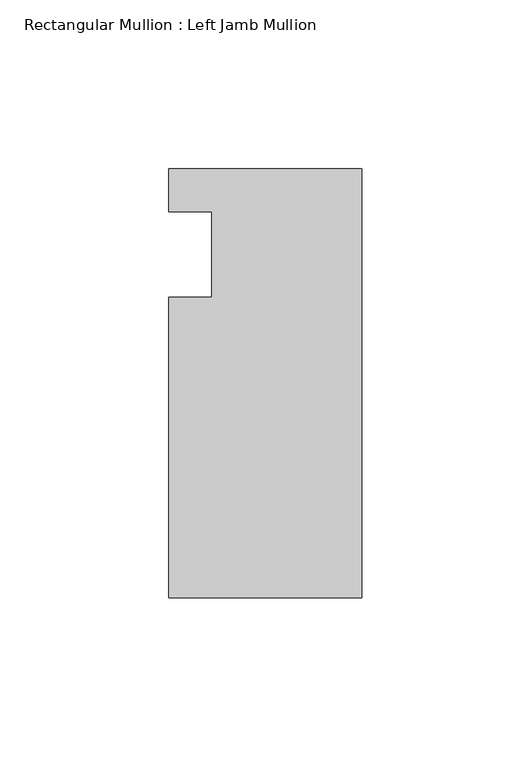
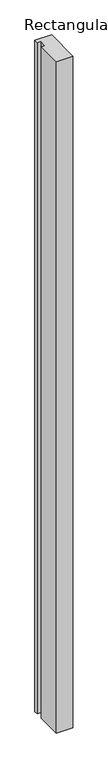
"""IFC4 building model written with IfcOpenShell, lengths in millimetres: member geometry, Rectangular Mullion : Left Jamb Mullion."""

from ifc_helpers import new_model, si_unit, frame, origin, place, context, project, spatial, polyline, outline, extrude, source, transform, mapped, element, save


def rectangular_mullion_left_jamb_mullion_35903ec2(model_context):
    return source(origin(), model_context, "Body", "SweptSolid", [
        extrude(outline(polyline([(-57.15, -101.6), (-57.15, -12.6374164), (-44.449993, -12.6374164), (-44.449993, 12.7625836), (-57.15, 12.7625836), (-57.15, 25.4), (0.0, 25.4), (0.0, -101.6), (-57.15, -101.6)])), frame((0.0, 0.0, -2438.4), z_axis=(0.0, 0.0, 1.0), x_axis=(1.0, 0.0, 0.0)), (0.0, 0.0, 1.0), 2438.4),
    ])


if __name__ == "__main__":
    model = new_model("IFC4")
    model_context = context("Model", 3, world=origin())
    ifc_project = project(units=[si_unit("LENGTHUNIT", "METRE", prefix="MILLI")], contexts=[model_context])
    site = spatial("IfcSite", under=ifc_project)
    building = spatial("IfcBuilding", under=site)
    placement = place(None, origin())
    rectangular_mullion_left_jamb_mullion_shape = rectangular_mullion_left_jamb_mullion_35903ec2(model_context)
    element("IfcMember", 1, ObjectType="Rectangular Mullion : Left Jamb Mullion", at=placement, inside=building, context=model_context, shape_type="MappedRepresentation", body=[
        mapped(rectangular_mullion_left_jamb_mullion_shape, transform((0.0, 0.0, 0.0), x_axis=(1.0, 0.0, 0.0), y_axis=(0.0, 1.0, 0.0), z_axis=(0.0, 0.0, 1.0))),
    ])
    save(model, "model.ifc")
